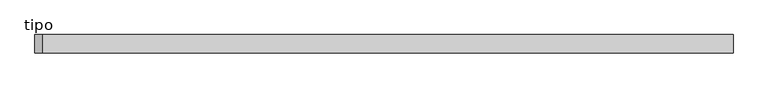
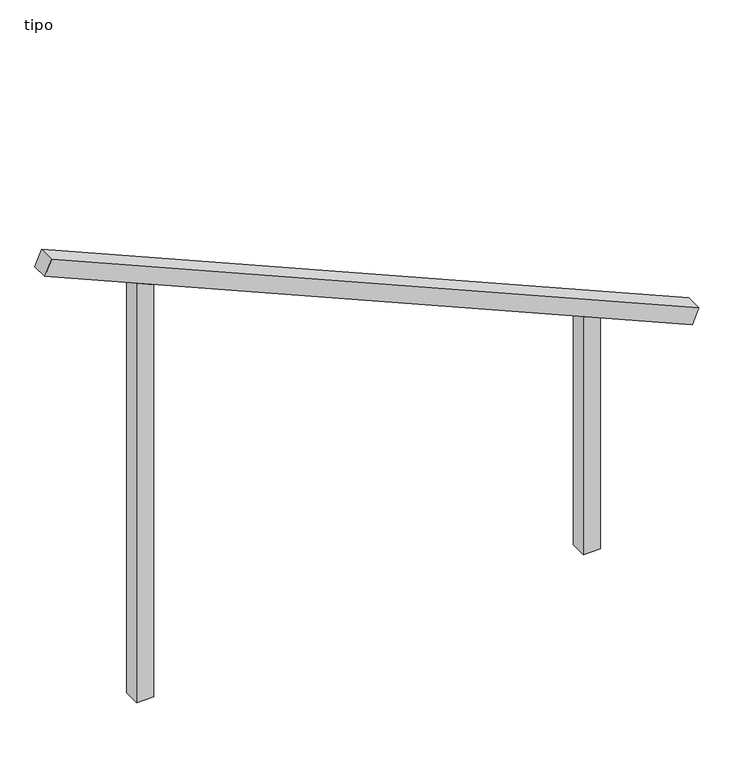
"""IFC4 building model written with IfcOpenShell, lengths in millimetres: proxy geometry, tipo."""

from ifc_helpers import new_model, si_unit, frame, origin, place, context, project, spatial, polyline, outline, extrude, source, transform, mapped, element, save


def tipo_be1ac591(model_context):
    return source(origin(), model_context, "Body", "SweptSolid", [
        extrude(outline(polyline([(0.0, -4100.0000001), (0.0, 0.0), (100.0, 0.0), (100.0, -4100.0000001), (0.0, -4100.0000001)])), frame((-1884.0254549, -100.0, 2808.0520314), z_axis=(0.3941717226254431, 0.0, 0.9190368072512063), x_axis=(0.0, 1.0, 0.0)), (0.0, 0.0, 1.0), 100.0),
        extrude(outline(polyline([(1420.9896477, 1350.0), (1463.8793034, 1250.0), (0.0, 1250.0), (0.0, 1350.0), (1420.9896477, 1350.0)])), frame((0.0, -100.0, 0.0), z_axis=(0.0, 1.0, 0.0), x_axis=(0.0, 0.0, 1.0)), (0.0, 0.0, 1.0), 100.0),
        extrude(outline(polyline([(2579.0103523, -1350.0), (0.0, -1350.0), (0.0, -1250.0), (2536.1206966, -1250.0), (2579.0103523, -1350.0)])), frame((0.0, -100.0, 0.0), z_axis=(0.0, 1.0, 0.0), x_axis=(0.0, 0.0, 1.0)), (0.0, 0.0, 1.0), 100.0),
    ])


if __name__ == "__main__":
    model = new_model("IFC4")
    model_context = context("Model", 3, world=origin())
    ifc_project = project(units=[si_unit("LENGTHUNIT", "METRE", prefix="MILLI")], contexts=[model_context])
    site = spatial("IfcSite", under=ifc_project)
    building = spatial("IfcBuilding", under=site)
    placement = place(None, origin())
    tipo_shape = tipo_be1ac591(model_context)
    element("IfcBuildingElementProxy", 1, Name="tipo", ObjectType="tipo", at=placement, inside=building, context=model_context, shape_type="MappedRepresentation", body=[
        mapped(tipo_shape, transform((0.0, 0.0, 0.0), x_axis=(1.0, 0.0, 0.0), y_axis=(0.0, 1.0, 0.0), z_axis=(0.0, 0.0, 1.0))),
    ])
    save(model, "model.ifc")
